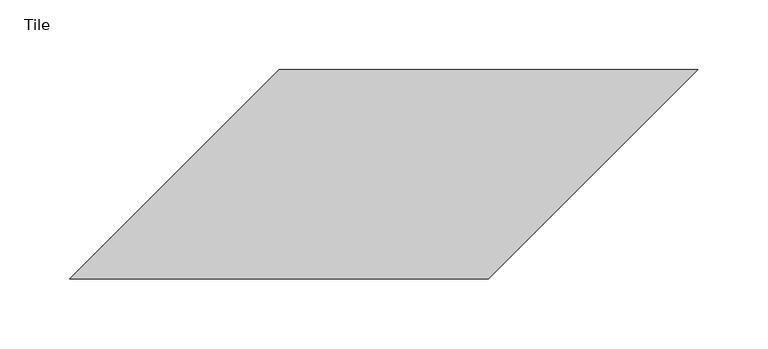
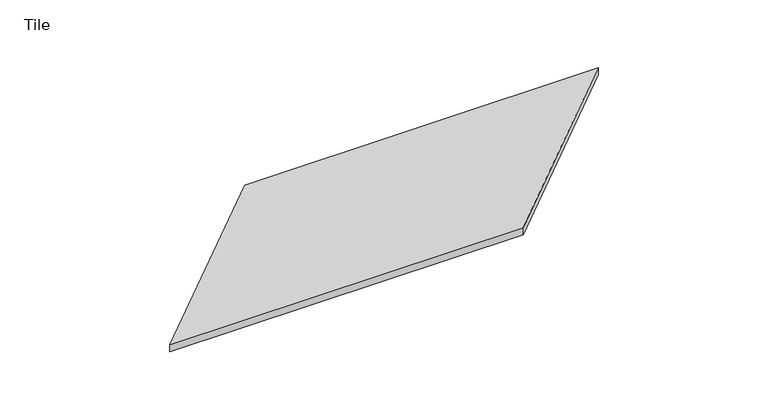
"""IFC4 building model written with IfcOpenShell, lengths in millimetres: proxy geometry, Tile."""

from ifc_helpers import new_model, si_unit, origin, origin_with_axes, place, context, project, spatial, polyline, outline, extrude, source, transform, mapped, element, save


def tile_e4fe5941(model_context):
    return source(origin(), model_context, "Body", "SweptSolid", [
        extrude(outline(polyline([(0.0, -300.0), (-300.0, -300.0), (-150.0, -150.0), (150.0, -150.0), (0.0, -300.0)])), origin_with_axes(), (0.0, 0.0, 1.0), 6.0),
    ])


if __name__ == "__main__":
    model = new_model("IFC4")
    model_context = context("Model", 3, world=origin())
    ifc_project = project(units=[si_unit("LENGTHUNIT", "METRE", prefix="MILLI")], contexts=[model_context])
    site = spatial("IfcSite", under=ifc_project)
    building = spatial("IfcBuilding", under=site)
    placement = place(None, origin())
    tile_shape = tile_e4fe5941(model_context)
    element("IfcBuildingElementProxy", 1, Name="Tile", ObjectType="Tile", at=placement, inside=building, context=model_context, shape_type="MappedRepresentation", body=[
        mapped(tile_shape, transform((0.0, 0.0, 0.0), x_axis=(1.0, 0.0, 0.0), y_axis=(0.0, 1.0, 0.0), z_axis=(0.0, 0.0, 1.0))),
    ])
    save(model, "model.ifc")
